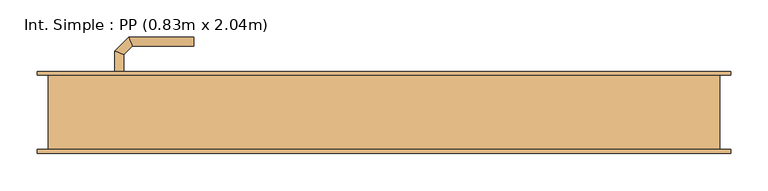
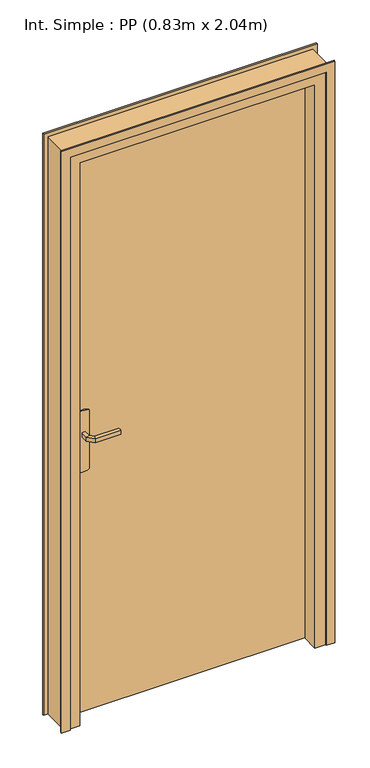
"""IFC4 building model written with IfcOpenShell, lengths in millimetres: door geometry, Int. Simple : PP (0.83m x 2.04m)."""

from ifc_helpers import new_model, si_unit, point, frame, frame_2d, origin, origin_with_axes, place, context, project, spatial, polyline, circle_curve, ellipse_curve, trimmed, segment, composite_curve, outline, extrude, faceted_brep, source, transform, mapped, element, save
from ifc_brep_helpers import plane_surface, cylinder_surface, advanced_brep


def int_simple_pp_0_83m_x_2_04m_727c9c46(model_context):
    return source(origin(), model_context, "Body", "SolidModel", [
        extrude(outline(composite_curve([segment(trimmed(circle_curve(frame_2d((904.6410162, -390.0)), 40.0), [point((870.0, -410.0))], [point((870.0, -370.0))], False, "CARTESIAN"), True, "CONTINUOUS"), segment(polyline([(870.0, -370.0), (1080.0, -370.0)]), True, "CONTINUOUS"), segment(trimmed(circle_curve(frame_2d((1045.3589838, -390.0)), 40.0), [point((1080.0, -370.0))], [point((1080.0, -410.0))], False, "CARTESIAN"), True, "CONTINUOUS"), segment(polyline([(1080.0, -410.0), (870.0, -410.0)]), True, "CONTINUOUS")], self_intersect=False)), frame((0.0, 50.0, 0.0), z_axis=(0.0, 1.0, 0.0), x_axis=(0.0, 0.0, 1.0)), (0.0, 0.0, 1.0), 5.0),
        extrude(outline(composite_curve([segment(trimmed(circle_curve(frame_2d((1045.3589838, -390.0)), 40.0), [point((1080.0, -370.0))], [point((1080.0, -410.0))], False, "CARTESIAN"), True, "CONTINUOUS"), segment(polyline([(1080.0, -410.0), (870.0, -410.0)]), True, "CONTINUOUS"), segment(trimmed(circle_curve(frame_2d((904.6410162, -390.0)), 40.0), [point((870.0, -410.0))], [point((870.0, -370.0))], False, "CARTESIAN"), True, "CONTINUOUS"), segment(polyline([(870.0, -370.0), (1080.0, -370.0)]), True, "CONTINUOUS")], self_intersect=False)), frame((0.0, 5.0, 0.0), z_axis=(0.0, 1.0, 0.0), x_axis=(0.0, 0.0, 1.0)), (0.0, 0.0, 1.0), 5.0),
        advanced_brep(
        [(-396.0, 55.0, 1007.0), (-396.0, 55.0, 993.0), (-384.0, 55.0, 993.0), (-384.0, 55.0, 1007.0), (-384.0, 77.680388, 1007.0), (-396.0, 82.6509507, 1007.0), (-384.0, 77.680388, 993.0), (-396.0, 82.6509507, 993.0), (-372.6522273, 89.0281607, 1007.0), (-377.62279, 101.0281607, 1007.0), (-372.6522273, 89.0281607, 993.0), (-377.62279, 101.0281607, 993.0), (-289.9813594, 101.0281607, 1007.0), (-289.9813594, 89.0281607, 1007.0), (-289.9813594, 89.0281607, 993.0), (-289.9813594, 101.0281607, 993.0)],
        [
            (0, 1),
            (1, 2, circle_curve(frame((-390.0, 55.0, 1013.0457722), z_axis=(0.0, -1.0, 0.0), x_axis=(1.0, 0.0, 0.0)), 20.9244589)),
            (2, 3),
            (3, 0, circle_curve(frame((-390.0, 55.0, 986.9542278), z_axis=(0.0, -1.0, 0.0), x_axis=(1.0, 0.0, 0.0)), 20.9244589)),
            (3, 4),
            (4, 5, ellipse_curve(frame((-390.0, 80.1656693, 986.9542278), z_axis=(-0.3826834323651126, -0.9238795325112773, 0.0), x_axis=(0.9238795325112775, -0.38268343236511254, 0.0)), 22.6484711, 20.9244589)),
            (5, 0),
            (2, 6),
            (6, 4),
            (1, 7),
            (7, 6, ellipse_curve(frame((-390.0, 80.1656693, 1013.0457722), z_axis=(-0.3826834323651126, -0.9238795325112773, 0.0), x_axis=(0.9238795325112775, -0.38268343236511254, 0.0)), 22.6484711, 20.9244589)),
            (5, 7),
            (4, 8),
            (8, 9, ellipse_curve(frame((-375.1375086, 95.0281607, 986.9542278), z_axis=(-0.9238795325112962, -0.38268343236506686, 0.0), x_axis=(0.3826834323650665, -0.9238795325112965, 0.0)), 22.6484711, 20.9244589)),
            (9, 5),
            (6, 10),
            (10, 8),
            (7, 11),
            (11, 10, ellipse_curve(frame((-375.1375086, 95.0281607, 1013.0457722), z_axis=(-0.9238795325112962, -0.38268343236506686, 0.0), x_axis=(0.3826834323650665, -0.9238795325112965, 0.0)), 22.6484711, 20.9244589)),
            (9, 11),
            (12, 13, circle_curve(frame((-289.9813594, 95.0281607, 986.9542278), z_axis=(1.0, 0.0, 0.0), x_axis=(0.0, -1.0, 0.0)), 20.9244589)),
            (13, 14),
            (14, 15, circle_curve(frame((-289.9813594, 95.0281607, 1013.0457722), z_axis=(1.0, 0.0, 0.0), x_axis=(0.0, -1.0, 0.0)), 20.9244589)),
            (15, 12),
            (8, 13),
            (12, 9),
            (10, 14),
            (11, 15),
        ],
        [
            plane_surface(frame((-399.2195445, 55.0, 1000.0), z_axis=(0.0, -1.0, 0.0), x_axis=(0.0, 0.0, -1.0))),
            cylinder_surface(frame((-390.0, 55.0, 986.9542278), z_axis=(0.0, -1.0, 0.0), x_axis=(1.0, 0.0, 0.0)), 20.9244589),
            plane_surface(frame((-384.0, 55.0, 1007.0), z_axis=(1.0, 0.0, 0.0), x_axis=(0.0, 1.0, 0.0))),
            cylinder_surface(frame((-390.0, 55.0, 1013.0457722), z_axis=(0.0, -1.0, 0.0), x_axis=(1.0, 0.0, 0.0)), 20.9244589),
            plane_surface(frame((-396.0, 55.0, 993.0), z_axis=(-1.0, 0.0, 0.0), x_axis=(0.0, 1.0, 0.0))),
            cylinder_surface(frame((-390.0, 80.1656693, 986.9542278), z_axis=(-0.7071067811865798, -0.7071067811865152, 0.0), x_axis=(0.7071067811865152, -0.7071067811865798, 0.0)), 20.9244589),
            plane_surface(frame((-384.0, 77.680388, 1007.0), z_axis=(0.7071067811865152, -0.7071067811865799, 0.0), x_axis=(0.7071067811865799, 0.7071067811865152, 0.0))),
            cylinder_surface(frame((-390.0, 80.1656693, 1013.0457722), z_axis=(-0.7071067811865798, -0.7071067811865152, 0.0), x_axis=(0.7071067811865152, -0.7071067811865798, 0.0)), 20.9244589),
            plane_surface(frame((-396.0, 82.6509507, 993.0), z_axis=(-0.7071067811865152, 0.7071067811865799, 0.0), x_axis=(0.7071067811865799, 0.7071067811865152, 0.0))),
            plane_surface(frame((-289.9813594, 95.0281607, 990.7804555), z_axis=(1.0, 0.0, 0.0), x_axis=(0.0, -1.0, 0.0))),
            cylinder_surface(frame((-375.1375086, 95.0281607, 986.9542278), z_axis=(-1.0, 0.0, 0.0), x_axis=(0.0, -1.0, 0.0)), 20.9244589),
            plane_surface(frame((-372.6522273, 89.0281607, 1007.0), z_axis=(0.0, -1.0, 0.0), x_axis=(1.0, 0.0, 0.0))),
            cylinder_surface(frame((-375.1375086, 95.0281607, 1013.0457722), z_axis=(-1.0, 0.0, 0.0), x_axis=(0.0, -1.0, 0.0)), 20.9244589),
            plane_surface(frame((-377.62279, 101.0281607, 993.0), z_axis=(0.0, 1.0, 0.0), x_axis=(1.0, 0.0, 0.0))),
        ],
        [
            (0, [[1, 2, 3, 4]]),
            (1, [[5, 6, 7, -4]]),
            (2, [[8, 9, -5, -3]]),
            (3, [[10, 11, -8, -2]]),
            (4, [[-7, 12, -10, -1]]),
            (5, [[13, 14, 15, -6]]),
            (6, [[16, 17, -13, -9]]),
            (7, [[18, 19, -16, -11]]),
            (8, [[-15, 20, -18, -12]]),
            (9, [[21, 22, 23, 24]]),
            (10, [[25, -21, 26, -14]]),
            (11, [[27, -22, -25, -17]]),
            (12, [[28, -23, -27, -19]]),
            (13, [[-26, -24, -28, -20]]),
        ],
    ),
        advanced_brep(
        [(-384.0, 5.0, 993.0), (-396.0, 5.0, 993.0), (-396.0, 5.0, 1007.0), (-384.0, 5.0, 1007.0), (-384.0, -17.4852045, 1007.0), (-384.0, -17.4852045, 993.0), (-396.0, -22.4557673, 1007.0), (-396.0, -22.4557673, 993.0), (-372.5147186, -28.9704859, 1007.0), (-372.5147186, -28.9704859, 993.0), (-377.4852814, -40.9704859, 1007.0), (-377.4852814, -40.9704859, 993.0), (-289.9542163, -28.9704859, 993.0), (-289.9542163, -28.9704859, 1007.0), (-289.9542163, -40.9704859, 1007.0), (-289.9542163, -40.9704859, 993.0)],
        [
            (0, 1, circle_curve(frame((-390.0, 5.0, 1013.0457722), z_axis=(0.0, 1.0, 0.0), x_axis=(-1.0, 0.0, 0.0)), 20.9244589)),
            (1, 2),
            (2, 3, circle_curve(frame((-390.0, 5.0, 986.9542278), z_axis=(0.0, 1.0, 0.0), x_axis=(-1.0, 0.0, 0.0)), 20.9244589)),
            (3, 0),
            (3, 4),
            (4, 5),
            (5, 0),
            (2, 6),
            (6, 4, ellipse_curve(frame((-390.0, -19.9704859, 986.9542278), z_axis=(-0.3826834323651055, 0.9238795325112801, 0.0), x_axis=(0.9238795325112799, 0.3826834323651064, 0.0)), 22.6484711, 20.9244589)),
            (1, 7),
            (7, 6),
            (5, 7, ellipse_curve(frame((-390.0, -19.9704859, 1013.0457722), z_axis=(-0.3826834323651055, 0.9238795325112801, 0.0), x_axis=(0.9238795325112799, 0.3826834323651064, 0.0)), 22.6484711, 20.9244589)),
            (4, 8),
            (8, 9),
            (9, 5),
            (6, 10),
            (10, 8, ellipse_curve(frame((-375.0, -34.9704859, 986.9542278), z_axis=(-0.9238795325112932, 0.382683432365074, 0.0), x_axis=(0.3826834323650737, 0.9238795325112934, 0.0)), 22.6484711, 20.9244589)),
            (7, 11),
            (11, 10),
            (9, 11, ellipse_curve(frame((-375.0, -34.9704859, 1013.0457722), z_axis=(-0.9238795325112932, 0.382683432365074, 0.0), x_axis=(0.3826834323650737, 0.9238795325112934, 0.0)), 22.6484711, 20.9244589)),
            (12, 13),
            (13, 14, circle_curve(frame((-289.9542163, -34.9704859, 986.9542278), z_axis=(1.0, 0.0, 0.0), x_axis=(0.0, -1.0, 0.0)), 20.9244589)),
            (14, 15),
            (15, 12, circle_curve(frame((-289.9542163, -34.9704859, 1013.0457722), z_axis=(1.0, 0.0, 0.0), x_axis=(0.0, -1.0, 0.0)), 20.9244589)),
            (8, 13),
            (12, 9),
            (10, 14),
            (11, 15),
        ],
        [
            plane_surface(frame((-399.2195445, 5.0, 1000.0), z_axis=(0.0, 1.0, 0.0), x_axis=(0.0, 0.0, 1.0))),
            plane_surface(frame((-384.0, 5.0, 993.0), z_axis=(1.0, 0.0, 0.0), x_axis=(0.0, -1.0, 0.0))),
            cylinder_surface(frame((-390.0, 5.0, 986.9542278), z_axis=(0.0, 1.0, 0.0), x_axis=(-1.0, 0.0, 0.0)), 20.9244589),
            plane_surface(frame((-396.0, 5.0, 1007.0), z_axis=(-1.0, 0.0, 0.0), x_axis=(0.0, -1.0, 0.0))),
            cylinder_surface(frame((-390.0, 5.0, 1013.0457722), z_axis=(0.0, 1.0, 0.0), x_axis=(-1.0, 0.0, 0.0)), 20.9244589),
            plane_surface(frame((-384.0, -17.4852045, 993.0), z_axis=(0.7071067811865208, 0.7071067811865742, 0.0), x_axis=(0.7071067811865742, -0.7071067811865208, 0.0))),
            cylinder_surface(frame((-390.0, -19.9704859, 986.9542278), z_axis=(-0.7071067811865742, 0.7071067811865208, 0.0), x_axis=(-0.7071067811865208, -0.7071067811865742, 0.0)), 20.9244589),
            plane_surface(frame((-396.0, -22.4557673, 1007.0), z_axis=(-0.7071067811865209, -0.7071067811865741, 0.0), x_axis=(0.7071067811865741, -0.7071067811865209, 0.0))),
            cylinder_surface(frame((-390.0, -19.9704859, 1013.0457722), z_axis=(-0.7071067811865742, 0.7071067811865208, 0.0), x_axis=(-0.7071067811865208, -0.7071067811865742, 0.0)), 20.9244589),
            plane_surface(frame((-289.9542163, -34.9704859, 990.7804555), z_axis=(1.0, 0.0, 0.0), x_axis=(0.0, -1.0, 0.0))),
            plane_surface(frame((-372.5147186, -28.9704859, 993.0), z_axis=(0.0, 1.0, 0.0), x_axis=(1.0, 0.0, 0.0))),
            cylinder_surface(frame((-375.0, -34.9704859, 986.9542278), z_axis=(-1.0, 0.0, 0.0), x_axis=(0.0, -1.0, 0.0)), 20.9244589),
            plane_surface(frame((-377.4852814, -40.9704859, 1007.0), z_axis=(0.0, -1.0, 0.0), x_axis=(1.0, 0.0, 0.0))),
            cylinder_surface(frame((-375.0, -34.9704859, 1013.0457722), z_axis=(-1.0, 0.0, 0.0), x_axis=(0.0, -1.0, 0.0)), 20.9244589),
        ],
        [
            (0, [[1, 2, 3, 4]]),
            (1, [[5, 6, 7, -4]]),
            (2, [[8, 9, -5, -3]]),
            (3, [[10, 11, -8, -2]]),
            (4, [[-7, 12, -10, -1]]),
            (5, [[13, 14, 15, -6]]),
            (6, [[16, 17, -13, -9]]),
            (7, [[18, 19, -16, -11]]),
            (8, [[-15, 20, -18, -12]]),
            (9, [[21, 22, 23, 24]]),
            (10, [[25, -21, 26, -14]]),
            (11, [[27, -22, -25, -17]]),
            (12, [[28, -23, -27, -19]]),
            (13, [[-26, -24, -28, -20]]),
        ],
    ),
        extrude(outline(polyline([(-450.0, 10.0), (-450.0, 50.0), (380.0, 50.0), (380.0, 10.0), (-450.0, 10.0)])), origin_with_axes(), (0.0, 0.0, 1.0), 2040.0),
        faceted_brep([(-485.0, 50.0, 0.0), (-450.0, 50.0, 0.0), (-450.0, 10.0, 0.0), (-435.0, 10.0, 0.0), (-435.0, -50.0, 0.0), (-485.0, -50.0, 0.0), (-485.0, -50.0, 2075.0), (-485.0, 50.0, 2075.0), (-435.0, -50.0, 2025.0), (365.0, -50.0, 2025.0), (365.0, -50.0, 0.0), (415.0, -50.0, 0.0), (415.0, -50.0, 2075.0), (-435.0, 10.0, 2025.0), (-450.0, 10.0, 2040.0), (380.0, 10.0, 2040.0), (380.0, 10.0, 0.0), (365.0, 10.0, 0.0), (365.0, 10.0, 2025.0), (-450.0, 50.0, 2040.0), (415.0, 50.0, 2075.0), (415.0, 50.0, 0.0), (380.0, 50.0, 0.0), (380.0, 50.0, 2040.0)], [[[0, 1, 2, 3, 4, 5]], [[5, 6, 7, 0]], [[4, 8, 9, 10, 11, 12, 6, 5]], [[3, 13, 8, 4]], [[2, 14, 15, 16, 17, 18, 13, 3]], [[1, 19, 14, 2]], [[0, 7, 20, 21, 22, 23, 19, 1]], [[12, 11, 21, 20]], [[21, 11, 10, 17, 16, 22]], [[18, 17, 10, 9]], [[23, 22, 16, 15]], [[6, 12, 20, 7]], [[13, 18, 9, 8]], [[19, 23, 15, 14]]]),
        extrude(outline(polyline([(0.0, -470.0), (2060.0, -470.0), (2060.0, 400.0), (0.0, 400.0), (0.0, 430.0), (2090.0, 430.0), (2090.0, -500.0), (0.0, -500.0), (0.0, -470.0)])), frame((0.0, 50.0, 0.0), z_axis=(0.0, 1.0, 0.0), x_axis=(0.0, 0.0, 1.0)), (0.0, 0.0, 1.0), 5.0),
        extrude(outline(polyline([(0.0, -470.0), (2060.0, -470.0), (2060.0, 400.0), (0.0, 400.0), (0.0, 430.0), (2090.0, 430.0), (2090.0, -500.0), (0.0, -500.0), (0.0, -470.0)])), frame((0.0, -55.0, 0.0), z_axis=(0.0, 1.0, 0.0), x_axis=(0.0, 0.0, 1.0)), (0.0, 0.0, 1.0), 5.0),
    ])


if __name__ == "__main__":
    model = new_model("IFC4")
    model_context = context("Model", 3, world=origin())
    ifc_project = project(units=[si_unit("LENGTHUNIT", "METRE", prefix="MILLI")], contexts=[model_context])
    site = spatial("IfcSite", under=ifc_project)
    building = spatial("IfcBuilding", under=site)
    placement = place(None, origin())
    int_simple_pp_0_83m_x_2_04m_shape = int_simple_pp_0_83m_x_2_04m_727c9c46(model_context)
    element("IfcDoor", 1, ObjectType="Int. Simple : PP (0.83m x 2.04m)", at=placement, inside=building, context=model_context, shape_type="MappedRepresentation", body=[
        mapped(int_simple_pp_0_83m_x_2_04m_shape, transform((0.0, 0.0, 0.0), x_axis=(1.0, 0.0, 0.0), y_axis=(0.0, 1.0, 0.0), z_axis=(0.0, 0.0, 1.0))),
    ])
    save(model, "model.ifc")
